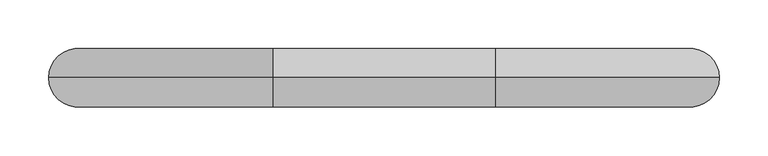
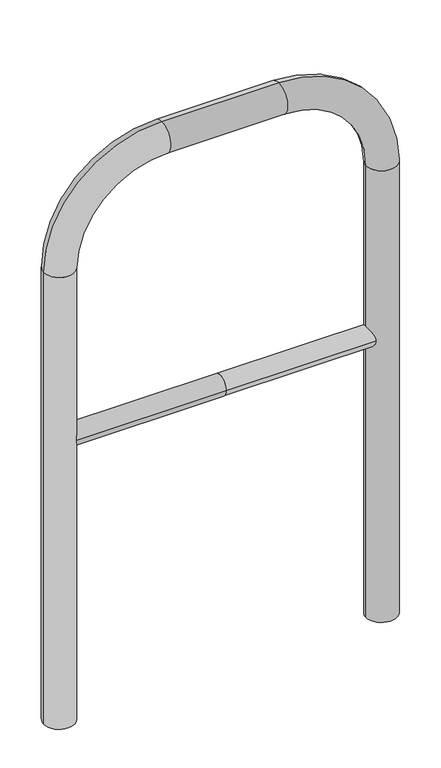
"""IFC4 building model written with IfcOpenShell, lengths in millimetres: proxy geometry."""

from ifc_helpers import new_model, si_unit, point, frame, frame_2d, origin, place, context, project, spatial, circle_curve, ellipse_curve, trimmed, segment, composite_curve, outline, extrude, source, transform, mapped, element, save
from ifc_brep_helpers import plane_surface, cylinder_surface, revolved_surface, advanced_brep


def generic_models_77c5e61b(model_context):
    return source(origin(), model_context, "Body", "SolidModel", [
        extrude(outline(composite_curve([segment(trimmed(circle_curve(frame_2d((0.0, 498.4778375)), 20.0), [point((-20.0, 498.4778375))], [point((20.0, 498.4778375))], False, "CARTESIAN"), True, "CONTINUOUS"), segment(trimmed(circle_curve(frame_2d((0.0, 498.4778375)), 20.0), [point((20.0, 498.4778375))], [point((-20.0, 498.4778375))], False, "CARTESIAN"), True, "CONTINUOUS")], self_intersect=False)), frame((-314.0977698, 0.0, 0.0), z_axis=(1.0, 0.0, 0.0), x_axis=(0.0, 1.0, 0.0)), (0.0, 0.0, 1.0), 314.0977698),
        extrude(outline(composite_curve([segment(trimmed(circle_curve(frame_2d((0.0, 498.4778375)), 20.0), [point((-20.0, 498.4778375))], [point((20.0, 498.4778375))], False, "CARTESIAN"), True, "CONTINUOUS"), segment(trimmed(circle_curve(frame_2d((0.0, 498.4778375)), 20.0), [point((20.0, 498.4778375))], [point((-20.0, 498.4778375))], False, "CARTESIAN"), True, "CONTINUOUS")], self_intersect=False)), frame((0.0, 0.0, 0.0), z_axis=(1.0, 0.0, 0.0), x_axis=(0.0, 1.0, 0.0)), (0.0, 0.0, 1.0), 314.0977698),
        advanced_brep(
        [(-284.0977698, 0.0, -80.0), (-344.0977698, 0.0, -80.0), (-284.0977698, 0.0, 850.0), (-344.0977698, 0.0, 850.0), (-114.0977698, 0.0, 1080.0), (-114.0977698, 0.0, 1020.0), (114.0977698, 0.0, 1020.0), (114.0977698, 0.0, 1080.0), (344.0977698, 0.0, 850.0), (284.0977698, 0.0, 850.0), (284.0977698, 0.0, -80.0), (344.0977698, 0.0, -80.0)],
        [
            (0, 1, circle_curve(frame((-314.0977698, 0.0, -80.0), z_axis=(0.0, 0.0, -1.0), x_axis=(-1.0, 0.0, 0.0)), 30.0)),
            (1, 0, circle_curve(frame((-314.0977698, 0.0, -80.0), z_axis=(0.0, 0.0, -1.0), x_axis=(-1.0, 0.0, 0.0)), 30.0)),
            (0, 2),
            (2, 3, circle_curve(frame((-314.0977698, 0.0, 850.0), z_axis=(0.0, 0.0, -1.0), x_axis=(-1.0, 0.0, 0.0)), 30.0)),
            (3, 1),
            (3, 2, circle_curve(frame((-314.0977698, 0.0, 850.0), z_axis=(0.0, 0.0, -1.0), x_axis=(-1.0, 0.0, 0.0)), 30.0)),
            (4, 3, circle_curve(frame((-114.0977698, 0.0, 850.0), z_axis=(0.0, -1.0, 0.0), x_axis=(-1.0, 0.0, 0.0)), 230.0)),
            (2, 5, circle_curve(frame((-114.0977698, 0.0, 850.0), z_axis=(0.0, 1.0, 0.0), x_axis=(-1.0, 0.0, 0.0)), 170.0)),
            (5, 4, circle_curve(frame((-114.0977698, 0.0, 1050.0), z_axis=(-1.0, 0.0, 0.0), x_axis=(0.0, 0.0, 1.0)), 30.0)),
            (4, 5, circle_curve(frame((-114.0977698, 0.0, 1050.0), z_axis=(-1.0, 0.0, 0.0), x_axis=(0.0, 0.0, 1.0)), 30.0)),
            (5, 6),
            (6, 7, circle_curve(frame((114.0977698, 0.0, 1050.0), z_axis=(-1.0, 0.0, 0.0), x_axis=(0.0, 0.0, 1.0)), 30.0)),
            (7, 4),
            (7, 6, circle_curve(frame((114.0977698, 0.0, 1050.0), z_axis=(-1.0, 0.0, 0.0), x_axis=(0.0, 0.0, 1.0)), 30.0)),
            (8, 7, circle_curve(frame((114.0977698, 0.0, 850.0), z_axis=(0.0, -1.0, 0.0), x_axis=(0.0, 0.0, 1.0)), 230.0)),
            (6, 9, circle_curve(frame((114.0977698, 0.0, 850.0), z_axis=(0.0, 1.0, 0.0), x_axis=(0.0, 0.0, 1.0)), 170.0)),
            (9, 8, circle_curve(frame((314.0977698, 0.0, 850.0), z_axis=(0.0, 0.0, 1.0), x_axis=(1.0, 0.0, 0.0)), 30.0)),
            (8, 9, circle_curve(frame((314.0977698, 0.0, 850.0), z_axis=(0.0, 0.0, 1.0), x_axis=(1.0, 0.0, 0.0)), 30.0)),
            (10, 11, circle_curve(frame((314.0977698, 0.0, -80.0), z_axis=(0.0, 0.0, -1.0), x_axis=(1.0, 0.0, 0.0)), 30.0)),
            (11, 10, circle_curve(frame((314.0977698, 0.0, -80.0), z_axis=(0.0, 0.0, -1.0), x_axis=(1.0, 0.0, 0.0)), 30.0)),
            (9, 10),
            (11, 8),
        ],
        [
            plane_surface(frame((-314.0977698, 0.0, -80.0), z_axis=(0.0, 0.0, -1.0), x_axis=(0.0, -1.0, 0.0))),
            cylinder_surface(frame((-314.0977698, 0.0, -80.0), z_axis=(0.0, 0.0, -1.0), x_axis=(-1.0, 0.0, 0.0)), 30.0),
            revolved_surface(trimmed(ellipse_curve(frame((-314.0977698, 0.0, 850.0), z_axis=(0.0, 0.0, -1.0), x_axis=(-1.0, 0.0, 0.0)), 30.0, 30.0), [point((-284.0977698, 0.0, 850.0))], [point((-344.0977698, 0.0, 850.0))], True, "CARTESIAN"), (-114.0977698, 0.0, 850.0), (0.0, 1.0, 0.0)),
            revolved_surface(trimmed(ellipse_curve(frame((-314.0977698, 0.0, 850.0), z_axis=(0.0, 0.0, -1.0), x_axis=(-1.0, 0.0, 0.0)), 30.0, 30.0), [point((-344.0977698, 0.0, 850.0))], [point((-284.0977698, 0.0, 850.0))], True, "CARTESIAN"), (-114.0977698, 0.0, 850.0), (0.0, 1.0, 0.0)),
            cylinder_surface(frame((-114.0977698, 0.0, 1050.0), z_axis=(-1.0, 0.0, 0.0), x_axis=(0.0, 0.0, 1.0)), 30.0),
            revolved_surface(trimmed(ellipse_curve(frame((114.0977698, 0.0, 1050.0), z_axis=(-1.0, 0.0, 0.0), x_axis=(0.0, 0.0, 1.0)), 30.0, 30.0), [point((114.0977698, 0.0, 1020.0))], [point((114.0977698, 0.0, 1080.0))], True, "CARTESIAN"), (114.0977698, 0.0, 850.0), (0.0, 1.0, 0.0)),
            revolved_surface(trimmed(ellipse_curve(frame((114.0977698, 0.0, 1050.0), z_axis=(-1.0, 0.0, 0.0), x_axis=(0.0, 0.0, 1.0)), 30.0, 30.0), [point((114.0977698, 0.0, 1080.0))], [point((114.0977698, 0.0, 1020.0))], True, "CARTESIAN"), (114.0977698, 0.0, 850.0), (0.0, 1.0, 0.0)),
            plane_surface(frame((314.0977698, 0.0, -80.0), z_axis=(0.0, 0.0, -1.0), x_axis=(0.0, -1.0, 0.0))),
            cylinder_surface(frame((314.0977698, 0.0, 850.0), z_axis=(0.0, 0.0, 1.0), x_axis=(1.0, 0.0, 0.0)), 30.0),
        ],
        [
            (0, [[1, 2]]),
            (1, [[-1, 3, 4, 5]]),
            (1, [[-2, -5, 6, -3]]),
            (2, [[7, -4, 8, 9]]),
            (3, [[-8, -6, -7, 10]]),
            (4, [[-9, 11, 12, 13]]),
            (4, [[-10, -13, 14, -11]]),
            (5, [[15, -12, 16, 17]]),
            (6, [[-16, -14, -15, 18]]),
            (7, [[19, 20]]),
            (8, [[-17, 21, -20, 22]]),
            (8, [[-18, -22, -19, -21]]),
        ],
    ),
    ])


if __name__ == "__main__":
    model = new_model("IFC4")
    model_context = context("Model", 3, world=origin())
    ifc_project = project(units=[si_unit("LENGTHUNIT", "METRE", prefix="MILLI")], contexts=[model_context])
    site = spatial("IfcSite", under=ifc_project)
    building = spatial("IfcBuilding", under=site)
    placement = place(None, origin())
    generic_models_shape = generic_models_77c5e61b(model_context)
    element("IfcBuildingElementProxy", 1, Name="Generic Models", at=placement, inside=building, context=model_context, shape_type="MappedRepresentation", body=[
        mapped(generic_models_shape, transform((0.0, 0.0, 0.0), x_axis=(1.0, 0.0, 0.0), y_axis=(0.0, 1.0, 0.0), z_axis=(0.0, 0.0, 1.0))),
    ])
    save(model, "model.ifc")
